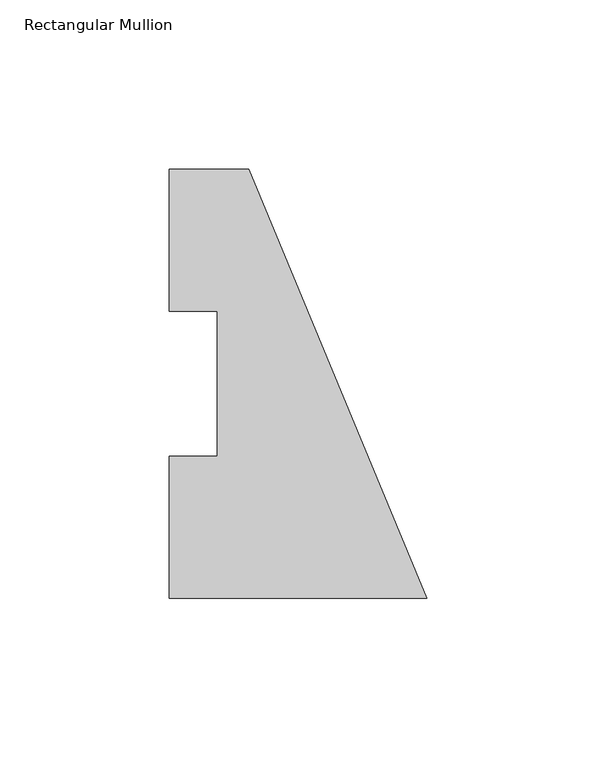
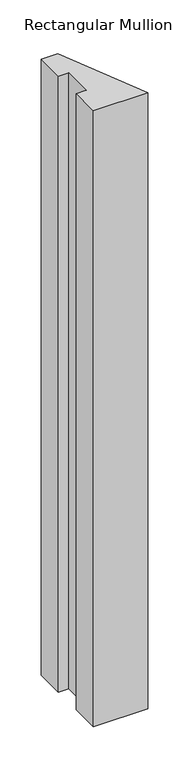
"""IFC4 building model written with IfcOpenShell, lengths in millimetres: member geometry, Rectangular Mullion."""

from ifc_helpers import new_model, si_unit, frame, origin, place, context, project, spatial, polyline, outline, extrude, source, transform, mapped, element, save


def rectangular_mullion_e0970692(model_context):
    return source(origin(), model_context, "Body", "SweptSolid", [
        extrude(outline(polyline([(-76.2, -0.2913062), (-76.2, 41.7837937), (-61.9125, 41.7837937), (-61.9125, 84.6335937), (-76.2, 84.6335937), (-76.2, 126.7086938), (-52.6051224, 126.7086938), (0.0, -0.2913062), (-76.2, -0.2913062)])), frame((0.0, 0.0, -914.4), z_axis=(0.0, 0.0, 1.0), x_axis=(1.0, 0.0, 0.0)), (0.0, 0.0, 1.0), 914.4),
    ])


if __name__ == "__main__":
    model = new_model("IFC4")
    model_context = context("Model", 3, world=origin())
    ifc_project = project(units=[si_unit("LENGTHUNIT", "METRE", prefix="MILLI")], contexts=[model_context])
    site = spatial("IfcSite", under=ifc_project)
    building = spatial("IfcBuilding", under=site)
    placement = place(None, origin())
    rectangular_mullion_shape = rectangular_mullion_e0970692(model_context)
    element("IfcMember", 1, ObjectType="Rectangular Mullion", at=placement, inside=building, context=model_context, shape_type="MappedRepresentation", body=[
        mapped(rectangular_mullion_shape, transform((0.0, 0.0, 0.0), x_axis=(1.0, 0.0, 0.0), y_axis=(0.0, 1.0, 0.0), z_axis=(0.0, 0.0, 1.0))),
    ])
    save(model, "model.ifc")
